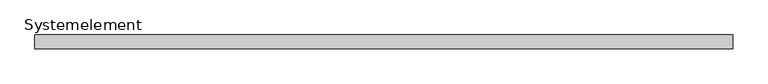
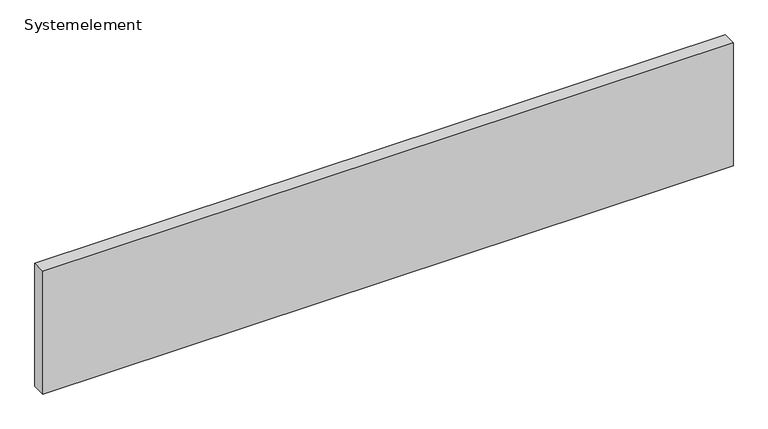
"""IFC4 building model written with IfcOpenShell, lengths in millimetres: plate geometry, Systemelement."""

from ifc_helpers import new_model, si_unit, origin, origin_with_axes, place, context, project, spatial, polyline, outline, extrude, source, transform, mapped, element, save


def systemelement_c02b3623(model_context):
    return source(origin(), model_context, "Body", "SweptSolid", [
        extrude(outline(polyline([(2000.0, -80.0), (-2000.0, -80.0), (-2000.0, 0.0), (2000.0, 0.0), (2000.0, -80.0)])), origin_with_axes(), (0.0, 0.0, 1.0), 751.6147161),
    ])


if __name__ == "__main__":
    model = new_model("IFC4")
    model_context = context("Model", 3, world=origin())
    ifc_project = project(units=[si_unit("LENGTHUNIT", "METRE", prefix="MILLI")], contexts=[model_context])
    site = spatial("IfcSite", under=ifc_project)
    building = spatial("IfcBuilding", under=site)
    placement = place(None, origin())
    systemelement_shape = systemelement_c02b3623(model_context)
    element("IfcPlate", 1, ObjectType="Systemelement", at=placement, inside=building, context=model_context, shape_type="MappedRepresentation", body=[
        mapped(systemelement_shape, transform((0.0, 0.0, 0.0), x_axis=(1.0, 0.0, 0.0), y_axis=(0.0, 1.0, 0.0), z_axis=(0.0, 0.0, 1.0))),
    ])
    save(model, "model.ifc")
